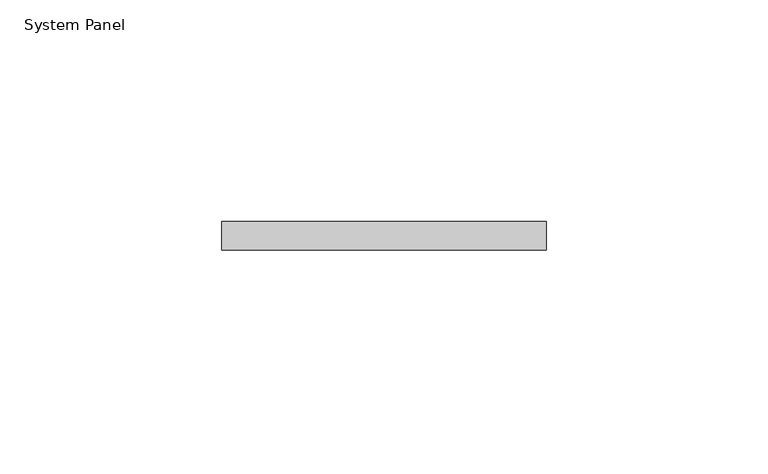
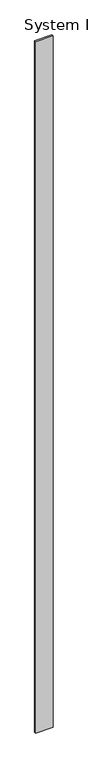
"""IFC4 building model written with IfcOpenShell, lengths in millimetres: plate geometry, System Panel."""

from ifc_helpers import new_model, si_unit, origin, origin_with_axes, place, context, project, spatial, polyline, outline, extrude, source, transform, mapped, element, save


def system_panel_11d78995(model_context):
    return source(origin(), model_context, "Body", "SweptSolid", [
        extrude(outline(polyline([(36.4981971, -6.35), (-36.4981971, -6.35), (-36.4981971, 0.0), (36.4981971, 0.0), (36.4981971, -6.35)])), origin_with_axes(), (0.0, 0.0, 1.0), 3048.0),
    ])


if __name__ == "__main__":
    model = new_model("IFC4")
    model_context = context("Model", 3, world=origin())
    ifc_project = project(units=[si_unit("LENGTHUNIT", "METRE", prefix="MILLI")], contexts=[model_context])
    site = spatial("IfcSite", under=ifc_project)
    building = spatial("IfcBuilding", under=site)
    placement = place(None, origin())
    system_panel_shape = system_panel_11d78995(model_context)
    element("IfcPlate", 1, ObjectType="System Panel", at=placement, inside=building, context=model_context, shape_type="MappedRepresentation", body=[
        mapped(system_panel_shape, transform((0.0, 0.0, 0.0), x_axis=(1.0, 0.0, 0.0), y_axis=(0.0, 1.0, 0.0), z_axis=(0.0, 0.0, 1.0))),
    ])
    save(model, "model.ifc")
